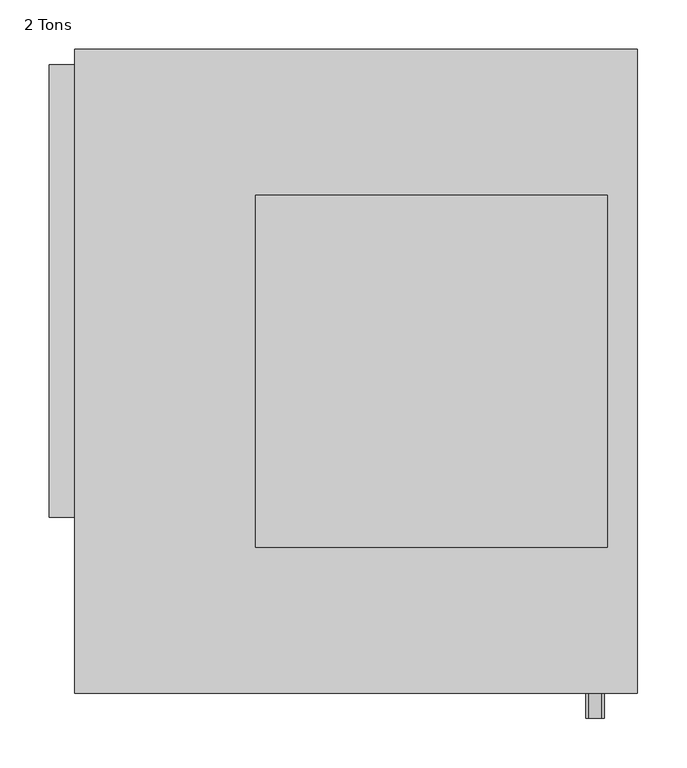
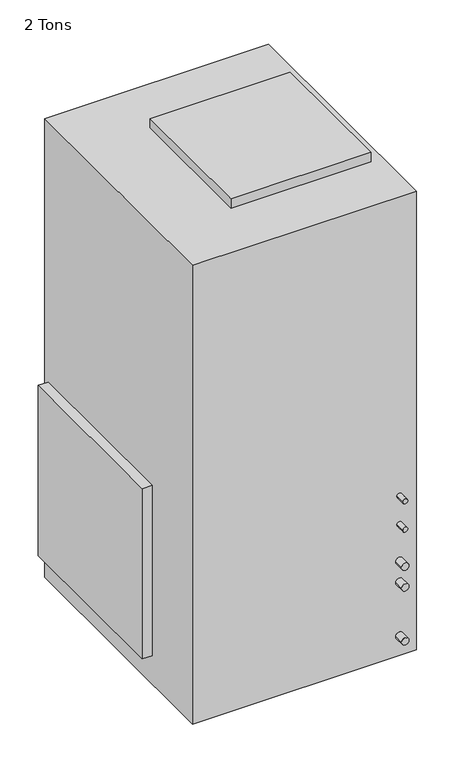
"""IFC4 building model written with IfcOpenShell, lengths in millimetres: proxy geometry, 2 Tons."""

from ifc_helpers import new_model, si_unit, frame, origin, place, context, project, spatial, circle_curve, source, transform, mapped, element, save
from ifc_brep_helpers import plane_surface, cylinder_surface, advanced_brep


def proxy_2_tons_9da13b06(model_context):
    return source(origin(), model_context, "Body", "AdvancedBrep", [
        advanced_brep(
        [(568.9203125, 650.2796875, 1231.9), (0.0, 650.2796875, 1231.9), (0.0, 0.0, 1231.9), (568.9203125, 0.0, 1231.9), (182.8601563, 502.9398437, 1231.9), (538.4601563, 502.9398437, 1231.9), (538.4601563, 147.3398437, 1231.9), (182.8601563, 147.3398437, 1231.9), (568.9203125, 650.2796875, 0.0), (568.9203125, 0.0, 0.0), (0.0, 0.0, 0.0), (0.0, 650.2796875, 0.0), (0.0, 635.0, 76.2), (0.0, 635.0, 533.4), (0.0, 177.8, 533.4), (0.0, 177.8, 76.2), (535.7733125, 0.0, 53.3796875), (516.7233125, 0.0, 53.3796875), (535.7733125, 0.0, 198.12), (516.7233125, 0.0, 198.12), (535.7733125, 0.0, 254.0), (516.7233125, 0.0, 254.0), (532.5983125, 0.0, 353.0203125), (519.8983125, 0.0, 353.0203125), (532.5983125, 0.0, 429.2203125), (519.8983125, 0.0, 429.2203125), (538.4601563, 502.9398437, 1257.3), (182.8601563, 502.9398437, 1257.3), (182.8601563, 147.3398437, 1257.3), (538.4601563, 147.3398437, 1257.3), (-25.4, 635.0, 76.2), (-25.4, 177.8, 76.2), (-25.4, 177.8, 533.4), (-25.4, 635.0, 533.4), (516.7233125, -25.4, 53.3796875), (535.7733125, -25.4, 53.3796875), (516.7233125, -25.4, 198.12), (535.7733125, -25.4, 198.12), (516.7233125, -25.4, 254.0), (535.7733125, -25.4, 254.0), (519.8983125, -25.4, 353.0203125), (532.5983125, -25.4, 353.0203125), (519.8983125, -25.4, 429.2203125), (532.5983125, -25.4, 429.2203125)],
        [
            (0, 1),
            (1, 2),
            (2, 3),
            (3, 0),
            (4, 5),
            (5, 6),
            (6, 7),
            (7, 4),
            (8, 9),
            (9, 10),
            (10, 11),
            (11, 8),
            (0, 8),
            (11, 1),
            (10, 2),
            (12, 13),
            (13, 14),
            (14, 15),
            (15, 12),
            (9, 3),
            (16, 17, circle_curve(frame((526.2483125, 0.0, 53.3796875), z_axis=(0.0, 1.0, 0.0), x_axis=(1.0, 0.0, 0.0)), 9.525)),
            (17, 16, circle_curve(frame((526.2483125, 0.0, 53.3796875), z_axis=(0.0, 1.0, 0.0), x_axis=(1.0, 0.0, 0.0)), 9.525)),
            (18, 19, circle_curve(frame((526.2483125, 0.0, 198.12), z_axis=(0.0, 1.0, 0.0), x_axis=(1.0, 0.0, 0.0)), 9.525)),
            (19, 18, circle_curve(frame((526.2483125, 0.0, 198.12), z_axis=(0.0, 1.0, 0.0), x_axis=(1.0, 0.0, 0.0)), 9.525)),
            (20, 21, circle_curve(frame((526.2483125, 0.0, 254.0), z_axis=(0.0, 1.0, 0.0), x_axis=(1.0, 0.0, 0.0)), 9.525)),
            (21, 20, circle_curve(frame((526.2483125, 0.0, 254.0), z_axis=(0.0, 1.0, 0.0), x_axis=(1.0, 0.0, 0.0)), 9.525)),
            (22, 23, circle_curve(frame((526.2483125, 0.0, 353.0203125), z_axis=(0.0, 1.0, 0.0), x_axis=(1.0, 0.0, 0.0)), 6.35)),
            (23, 22, circle_curve(frame((526.2483125, 0.0, 353.0203125), z_axis=(0.0, 1.0, 0.0), x_axis=(1.0, 0.0, 0.0)), 6.35)),
            (24, 25, circle_curve(frame((526.2483125, 0.0, 429.2203125), z_axis=(0.0, 1.0, 0.0), x_axis=(1.0, 0.0, 0.0)), 6.35)),
            (25, 24, circle_curve(frame((526.2483125, 0.0, 429.2203125), z_axis=(0.0, 1.0, 0.0), x_axis=(1.0, 0.0, 0.0)), 6.35)),
            (26, 27),
            (27, 28),
            (28, 29),
            (29, 26),
            (26, 5),
            (4, 27),
            (7, 28),
            (6, 29),
            (30, 31),
            (31, 32),
            (32, 33),
            (33, 30),
            (33, 13),
            (12, 30),
            (32, 14),
            (31, 15),
            (34, 35, circle_curve(frame((526.2483125, -25.4, 53.3796875), z_axis=(0.0, -1.0, 0.0), x_axis=(1.0, 0.0, 0.0)), 9.525)),
            (35, 34, circle_curve(frame((526.2483125, -25.4, 53.3796875), z_axis=(0.0, -1.0, 0.0), x_axis=(1.0, 0.0, 0.0)), 9.525)),
            (34, 17),
            (16, 35),
            (36, 37, circle_curve(frame((526.2483125, -25.4, 198.12), z_axis=(0.0, -1.0, 0.0), x_axis=(1.0, 0.0, 0.0)), 9.525)),
            (37, 36, circle_curve(frame((526.2483125, -25.4, 198.12), z_axis=(0.0, -1.0, 0.0), x_axis=(1.0, 0.0, 0.0)), 9.525)),
            (36, 19),
            (18, 37),
            (38, 39, circle_curve(frame((526.2483125, -25.4, 254.0), z_axis=(0.0, -1.0, 0.0), x_axis=(1.0, 0.0, 0.0)), 9.525)),
            (39, 38, circle_curve(frame((526.2483125, -25.4, 254.0), z_axis=(0.0, -1.0, 0.0), x_axis=(1.0, 0.0, 0.0)), 9.525)),
            (38, 21),
            (20, 39),
            (40, 41, circle_curve(frame((526.2483125, -25.4, 353.0203125), z_axis=(0.0, -1.0, 0.0), x_axis=(1.0, 0.0, 0.0)), 6.35)),
            (41, 40, circle_curve(frame((526.2483125, -25.4, 353.0203125), z_axis=(0.0, -1.0, 0.0), x_axis=(1.0, 0.0, 0.0)), 6.35)),
            (40, 23),
            (22, 41),
            (42, 43, circle_curve(frame((526.2483125, -25.4, 429.2203125), z_axis=(0.0, -1.0, 0.0), x_axis=(1.0, 0.0, 0.0)), 6.35)),
            (43, 42, circle_curve(frame((526.2483125, -25.4, 429.2203125), z_axis=(0.0, -1.0, 0.0), x_axis=(1.0, 0.0, 0.0)), 6.35)),
            (42, 25),
            (24, 43),
        ],
        [
            plane_surface(frame((0.0, 650.2796875, 1231.9), z_axis=(0.0, 0.0, 1.0), x_axis=(-1.0, 0.0, 0.0))),
            plane_surface(frame((0.0, 650.2796875, 0.0), z_axis=(0.0, 0.0, -1.0), x_axis=(1.0, 0.0, 0.0))),
            plane_surface(frame((568.9203125, 650.2796875, 1231.9), z_axis=(0.0, 1.0, 0.0), x_axis=(0.0, 0.0, -1.0))),
            plane_surface(frame((0.0, 650.2796875, 1231.9), z_axis=(-1.0, 0.0, 0.0), x_axis=(0.0, 0.0, -1.0))),
            plane_surface(frame((0.0, 0.0, 1231.9), z_axis=(0.0, -1.0, 0.0), x_axis=(0.0, 0.0, -1.0))),
            plane_surface(frame((568.9203125, 0.0, 1231.9), z_axis=(1.0, 0.0, 0.0), x_axis=(0.0, 0.0, -1.0))),
            plane_surface(frame((182.8601563, 502.9398437, 1257.3), z_axis=(0.0, 0.0, 1.0), x_axis=(-1.0, 0.0, 0.0))),
            plane_surface(frame((538.4601563, 502.9398437, 1257.3), z_axis=(0.0, 1.0, 0.0), x_axis=(0.0, 0.0, -1.0))),
            plane_surface(frame((182.8601563, 502.9398437, 1257.3), z_axis=(-1.0, 0.0, 0.0), x_axis=(0.0, 0.0, -1.0))),
            plane_surface(frame((182.8601563, 147.3398437, 1257.3), z_axis=(0.0, -1.0, 0.0), x_axis=(0.0, 0.0, -1.0))),
            plane_surface(frame((538.4601563, 147.3398437, 1257.3), z_axis=(1.0, 0.0, 0.0), x_axis=(0.0, 0.0, -1.0))),
            plane_surface(frame((-25.4, 635.0, 76.2), z_axis=(-1.0, 0.0, 0.0), x_axis=(0.0, 0.0, -1.0))),
            plane_surface(frame((0.0, 635.0, 76.2), z_axis=(0.0, 1.0, 0.0), x_axis=(-1.0, 0.0, 0.0))),
            plane_surface(frame((0.0, 635.0, 533.4), z_axis=(0.0, 0.0, 1.0), x_axis=(-1.0, 0.0, 0.0))),
            plane_surface(frame((0.0, 177.8, 533.4), z_axis=(0.0, -1.0, 0.0), x_axis=(-1.0, 0.0, 0.0))),
            plane_surface(frame((0.0, 177.8, 76.2), z_axis=(0.0, 0.0, -1.0), x_axis=(-1.0, 0.0, 0.0))),
            plane_surface(frame((535.7733125, -25.4, 53.3796875), z_axis=(0.0, -1.0, 0.0), x_axis=(0.0, 0.0, 1.0))),
            cylinder_surface(frame((526.2483125, 0.0, 53.3796875), z_axis=(0.0, -1.0, 0.0), x_axis=(1.0, 0.0, 0.0)), 9.525),
            plane_surface(frame((535.7733125, -25.4, 198.12), z_axis=(0.0, -1.0, 0.0), x_axis=(0.0, 0.0, 1.0))),
            cylinder_surface(frame((526.2483125, 0.0, 198.12), z_axis=(0.0, -1.0, 0.0), x_axis=(1.0, 0.0, 0.0)), 9.525),
            plane_surface(frame((535.7733125, -25.4, 254.0), z_axis=(0.0, -1.0, 0.0), x_axis=(0.0, 0.0, 1.0))),
            cylinder_surface(frame((526.2483125, 0.0, 254.0), z_axis=(0.0, -1.0, 0.0), x_axis=(1.0, 0.0, 0.0)), 9.525),
            plane_surface(frame((532.5983125, -25.4, 353.0203125), z_axis=(0.0, -1.0, 0.0), x_axis=(0.0, 0.0, 1.0))),
            cylinder_surface(frame((526.2483125, 0.0, 353.0203125), z_axis=(0.0, -1.0, 0.0), x_axis=(1.0, 0.0, 0.0)), 6.35),
            plane_surface(frame((532.5983125, -25.4, 429.2203125), z_axis=(0.0, -1.0, 0.0), x_axis=(0.0, 0.0, 1.0))),
            cylinder_surface(frame((526.2483125, 0.0, 429.2203125), z_axis=(0.0, -1.0, 0.0), x_axis=(1.0, 0.0, 0.0)), 6.35),
        ],
        [
            (0, [[1, 2, 3, 4], [5, 6, 7, 8]]),
            (1, [[9, 10, 11, 12]]),
            (2, [[-1, 13, -12, 14]]),
            (3, [[-2, -14, -11, 15], [16, 17, 18, 19]]),
            (4, [[-3, -15, -10, 20], [21, 22], [23, 24], [25, 26], [27, 28], [29, 30]]),
            (5, [[-4, -20, -9, -13]]),
            (6, [[31, 32, 33, 34]]),
            (7, [[-31, 35, -5, 36]]),
            (8, [[-32, -36, -8, 37]]),
            (9, [[-33, -37, -7, 38]]),
            (10, [[-34, -38, -6, -35]]),
            (11, [[39, 40, 41, 42]]),
            (12, [[-42, 43, -16, 44]]),
            (13, [[-41, 45, -17, -43]]),
            (14, [[-40, 46, -18, -45]]),
            (15, [[-39, -44, -19, -46]]),
            (16, [[47, 48]]),
            (17, [[-47, 49, -21, 50]]),
            (17, [[-48, -50, -22, -49]]),
            (18, [[51, 52]]),
            (19, [[-51, 53, -23, 54]]),
            (19, [[-52, -54, -24, -53]]),
            (20, [[55, 56]]),
            (21, [[-55, 57, -25, 58]]),
            (21, [[-56, -58, -26, -57]]),
            (22, [[59, 60]]),
            (23, [[-59, 61, -27, 62]]),
            (23, [[-60, -62, -28, -61]]),
            (24, [[63, 64]]),
            (25, [[-63, 65, -29, 66]]),
            (25, [[-64, -66, -30, -65]]),
        ],
    ),
    ])


if __name__ == "__main__":
    model = new_model("IFC4")
    model_context = context("Model", 3, world=origin())
    ifc_project = project(units=[si_unit("LENGTHUNIT", "METRE", prefix="MILLI")], contexts=[model_context])
    site = spatial("IfcSite", under=ifc_project)
    building = spatial("IfcBuilding", under=site)
    placement = place(None, origin())
    proxy_2_tons_shape = proxy_2_tons_9da13b06(model_context)
    element("IfcBuildingElementProxy", 1, Name="2 Tons", ObjectType="2 Tons", at=placement, inside=building, context=model_context, shape_type="MappedRepresentation", body=[
        mapped(proxy_2_tons_shape, transform((0.0, 0.0, 0.0), x_axis=(1.0, 0.0, 0.0), y_axis=(0.0, 1.0, 0.0), z_axis=(0.0, 0.0, 1.0))),
    ])
    save(model, "model.ifc")
